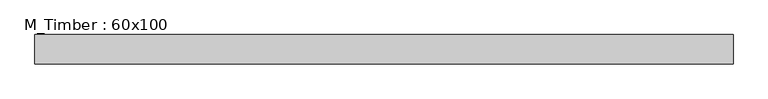
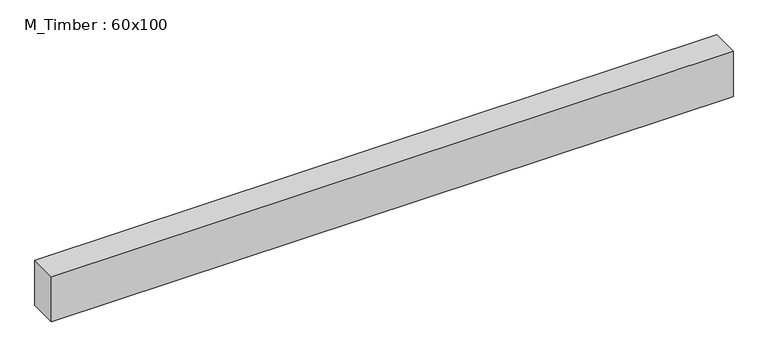
"""IFC4 building model written with IfcOpenShell, lengths in millimetres: beam geometry, M_Timber : 60x100."""

import ifcopenshell
import ifcopenshell.guid

model = None  # the IFC model being written
_history = None  # IfcOwnerHistory: only IFC2X3 demands one
_inside = {}  # id of a spatial element -> (the spatial element, [elements in it])
_under = {}  # id of a project, library or spatial element -> (it, [spatial elements below it])
_declared = {}  # id of a project -> (the project, [libraries it declares])
_typed = {}  # id of a type object -> (the type object, [elements of that type])
_made_of = {}  # id of a material, layer set ... -> (it, [elements and type objects made of it])


def new_model(schema):
    """Start an empty IFC model of exactly this schema.

    Asked for "IFC4X3", IfcOpenShell would pick the latest addendum, in which some entities
    have other attributes; the version numbers below select the first issue.
    IFC2X3 requires an IfcOwnerHistory on every rooted entity: one is made here for all.
    """
    global model, _history
    if schema == "IFC4X3":
        model = ifcopenshell.file(schema_version=(4, 3, 0, 0))
    else:
        model = ifcopenshell.file(schema=schema)
    _inside.clear()
    _under.clear()
    _declared.clear()
    _typed.clear()
    _made_of.clear()
    _history = None
    if model.schema == "IFC2X3":
        org = make("IfcOrganization", Name="unknown")
        user = make(
            "IfcPersonAndOrganization",
            ThePerson=make("IfcPerson", FamilyName="unknown"),
            TheOrganization=org,
        )
        app = make(
            "IfcApplication",
            ApplicationDeveloper=org,
            Version="unknown",
            ApplicationFullName="unknown",
            ApplicationIdentifier="unknown",
        )
        _history = make(
            "IfcOwnerHistory",
            OwningUser=user,
            OwningApplication=app,
            ChangeAction="ADDED",
            CreationDate=0,
        )
    return model


def make(cls, **values):
    """One entity of the class cls with the attributes given. An attribute that is None is left unset."""
    return model.create_entity(
        cls, **{name: value for name, value in values.items() if value is not None}
    )


def rooted(cls, **values):
    """An entity with a GlobalId (a new one), such as an element, a storey or a relation."""
    return make(cls, GlobalId=ifcopenshell.guid.new(), OwnerHistory=_history, **values)


def si_unit(unit_type, name, prefix=None):
    """IfcSIUnit, for example si_unit("LENGTHUNIT", "METRE", prefix="MILLI")."""
    return make("IfcSIUnit", UnitType=unit_type, Prefix=prefix, Name=name)


def assignment(units):
    """IfcUnitAssignment: the units of a project."""
    return None if units is None else make("IfcUnitAssignment", Units=units)


def point(xyz):
    """IfcCartesianPoint."""
    return None if xyz is None else make("IfcCartesianPoint", Coordinates=xyz)


def direction(xyz):
    """IfcDirection."""
    return None if xyz is None else make("IfcDirection", DirectionRatios=xyz)


def frame(location, z_axis=None, x_axis=None):
    """IfcAxis2Placement3D, a coordinate frame: its origin and axes. An axis left out is left unset."""
    return make(
        "IfcAxis2Placement3D",
        Location=point(location),
        Axis=direction(z_axis),
        RefDirection=direction(x_axis),
    )


def origin():
    """The frame at (0, 0, 0) with its axes left unset."""
    return frame((0.0, 0.0, 0.0))


def place(relative_to, where):
    """IfcLocalPlacement: puts the frame where relative to a parent placement (None: the world)."""
    return make(
        "IfcLocalPlacement", PlacementRelTo=relative_to, RelativePlacement=where
    )


def context(
    kind, dimensions, precision=None, world=None, true_north=None, identifier=None
):
    """IfcGeometricRepresentationContext, for example the 3D "Model" context."""
    return make(
        "IfcGeometricRepresentationContext",
        ContextIdentifier=identifier,
        ContextType=kind,
        CoordinateSpaceDimension=dimensions,
        Precision=precision,
        WorldCoordinateSystem=world,
        TrueNorth=true_north,
    )


def project(units=None, contexts=None):
    """IfcProject with its units and contexts."""
    return rooted(
        "IfcProject",
        Name="project",
        RepresentationContexts=contexts,
        UnitsInContext=assignment(units),
    )


def spatial(cls, under=None, at=None, **own):
    """A site, building, storey or space (cls), placed at a placement, below another one or the project."""
    s = rooted(cls, ObjectPlacement=at, **own)
    if under is not None:
        _under.setdefault(under.id(), (under, []))[1].append(s)
    return s


def polyline(points):
    """IfcPolyline through the points."""
    return make("IfcPolyline", Points=[point(p) for p in points])


def outline(outer, holes=None, kind="AREA"):
    """IfcArbitraryClosedProfileDef: a profile drawn as a closed curve; with holes, ...WithVoids."""
    if holes is None:
        return make("IfcArbitraryClosedProfileDef", ProfileType=kind, OuterCurve=outer)
    return make(
        "IfcArbitraryProfileDefWithVoids",
        ProfileType=kind,
        OuterCurve=outer,
        InnerCurves=holes,
    )


def extrude(swept, where, along, depth):
    """IfcExtrudedAreaSolid: the profile swept, set in the frame where, extruded along a direction by depth."""
    return make(
        "IfcExtrudedAreaSolid",
        SweptArea=swept,
        Position=where,
        ExtrudedDirection=direction(along),
        Depth=depth,
    )


def shape(context_of_items, identifier, shape_type, items):
    """IfcShapeRepresentation: the items that make up one representation, for example the "Body"."""
    return make(
        "IfcShapeRepresentation",
        ContextOfItems=context_of_items,
        RepresentationIdentifier=identifier,
        RepresentationType=shape_type,
        Items=items,
    )


def source(mapping_origin, context_of_items, identifier, shape_type, items):
    """IfcRepresentationMap: a shape defined once, which mapped items show again and again."""
    return make(
        "IfcRepresentationMap",
        MappingOrigin=mapping_origin,
        MappedRepresentation=shape(context_of_items, identifier, shape_type, items),
    )


def transform(
    local_origin,
    x_axis=None,
    y_axis=None,
    z_axis=None,
    scale=None,
    scale2=None,
    scale3=None,
    uniform=True,
):
    """IfcCartesianTransformationOperator3D, or its non-uniform kind. x_axis, y_axis, z_axis: its Axis1, 2, 3."""
    if uniform:
        return make(
            "IfcCartesianTransformationOperator3D",
            Axis1=direction(x_axis),
            Axis2=direction(y_axis),
            LocalOrigin=point(local_origin),
            Scale=scale,
            Axis3=direction(z_axis),
        )
    return make(
        "IfcCartesianTransformationOperator3DnonUniform",
        Axis1=direction(x_axis),
        Axis2=direction(y_axis),
        LocalOrigin=point(local_origin),
        Scale=scale,
        Axis3=direction(z_axis),
        Scale2=scale2,
        Scale3=scale3,
    )


def mapped(mapping_source, mapping_target):
    """IfcMappedItem: shows the shape of a source again, moved by a transform."""
    return make(
        "IfcMappedItem", MappingSource=mapping_source, MappingTarget=mapping_target
    )


def made_of(thing, what):
    """Note that an element or type object is made of a material, layer set ...; save() writes the relation."""
    if what is not None:
        _made_of.setdefault(what.id(), (what, []))[1].append(thing)
    return thing


def element(
    cls,
    number,
    at=None,
    inside=None,
    cuts=None,
    type_object=None,
    material=None,
    context=None,
    identifier="Body",
    shape_type=None,
    held_by="IfcProductDefinitionShape",
    body=None,
    shapes=None,
    **own,
):
    """One element of the class cls, such as IfcWall. Its Tag is "e" and its number.

    at: its placement. inside: the storey or other place that contains it. cuts: it is an
    opening in that element (IfcRelVoidsElement). A single representation is given by context,
    identifier, shape_type and body (its items); several are given by shapes. held_by: the class
    of the entity that holds the representations. save() writes the other relations.
    """
    e = rooted(cls, Tag="e%d" % number, ObjectPlacement=at, **own)
    if body is not None:
        shapes = [shape(context, identifier, shape_type, body)]
    if shapes is not None:
        e.Representation = make(held_by, Representations=shapes)
    if inside is not None:
        _inside.setdefault(inside.id(), (inside, []))[1].append(e)
    if cuts is not None:
        rooted(
            "IfcRelVoidsElement", RelatingBuildingElement=cuts, RelatedOpeningElement=e
        )
    if type_object is not None:
        _typed.setdefault(type_object.id(), (type_object, []))[1].append(e)
    return made_of(e, material)


def aggregate(whole, parts):
    """IfcRelAggregates: a whole, such as a stair, and the parts it consists of."""
    return rooted("IfcRelAggregates", RelatingObject=whole, RelatedObjects=parts)


def save(model, path):
    """Write the relations noted so far, then the file.

    IfcRelAggregates (storeys below a building ...), IfcRelContainedInSpatialStructure (elements
    in a storey), IfcRelDefinesByType, IfcRelAssociatesMaterial and IfcRelDeclares: one each for
    every whole, place, type object, material and project.
    """
    for whole, parts in _under.values():
        aggregate(whole, parts)
    for where, things in _inside.values():
        rooted(
            "IfcRelContainedInSpatialStructure",
            RelatedElements=things,
            RelatingStructure=where,
        )
    for kind, things in _typed.values():
        rooted("IfcRelDefinesByType", RelatedObjects=things, RelatingType=kind)
    for what, things in _made_of.values():
        rooted("IfcRelAssociatesMaterial", RelatedObjects=things, RelatingMaterial=what)
    for by, libraries in _declared.values():
        rooted("IfcRelDeclares", RelatingContext=by, RelatedDefinitions=libraries)
    model.write(path)


def m_timber_60x100_0941a90f(model_context):
    return source(origin(), model_context, "Body", "SweptSolid", [
        extrude(outline(polyline([(714.5399157, 30.0), (714.5399157, -30.0), (-708.8366333, -30.0), (-708.8366333, 30.0), (714.5399157, 30.0)])), frame((0.0, 0.0, -50.0), z_axis=(0.0, 0.0, 1.0), x_axis=(1.0, 0.0, 0.0)), (0.0, 0.0, 1.0), 100.0),
    ])


if __name__ == "__main__":
    model = new_model("IFC4")
    model_context = context("Model", 3, world=origin())
    ifc_project = project(units=[si_unit("LENGTHUNIT", "METRE", prefix="MILLI")], contexts=[model_context])
    site = spatial("IfcSite", under=ifc_project)
    building = spatial("IfcBuilding", under=site)
    placement = place(None, origin())
    m_timber_60x100_shape = m_timber_60x100_0941a90f(model_context)
    element("IfcBeam", 1, ObjectType="M_Timber : 60x100", at=placement, inside=building, context=model_context, shape_type="MappedRepresentation", body=[
        mapped(m_timber_60x100_shape, transform((0.0, 0.0, 0.0), x_axis=(1.0, 0.0, 0.0), y_axis=(0.0, 1.0, 0.0), z_axis=(0.0, 0.0, 1.0))),
    ])
    save(model, "model.ifc")
